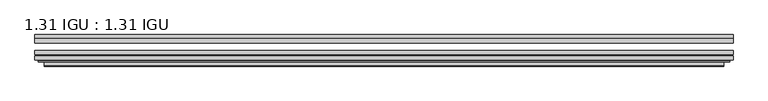
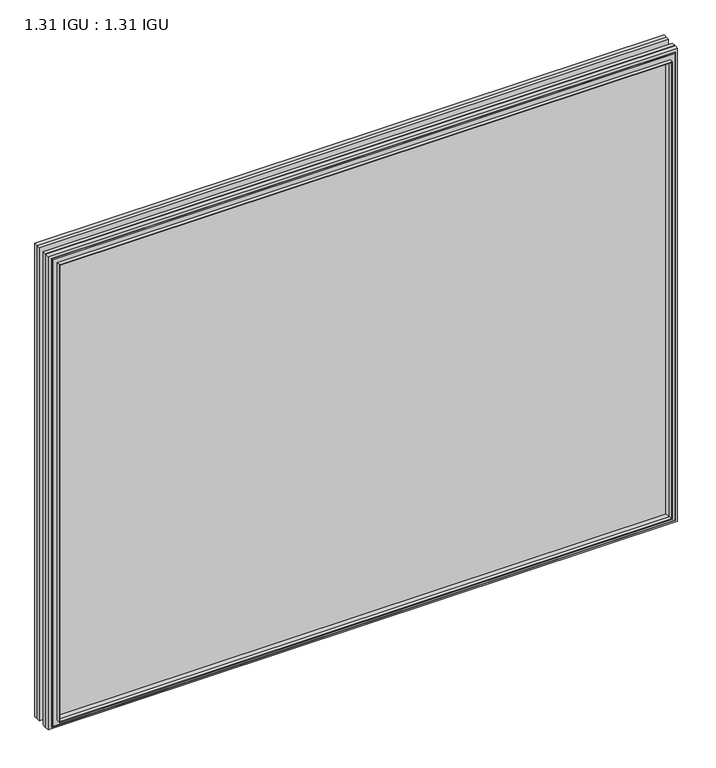
"""IFC4 building model written with IfcOpenShell, lengths in millimetres: plate geometry, 1.31 IGU : 1.31 IGU."""

from ifc_helpers import new_model, si_unit, frame, origin, place, context, project, spatial, polyline, ellipse_curve, outline, extrude, faceted_brep, source, transform, mapped, element, save
from ifc_brep_helpers import plane_surface, cylinder_surface, advanced_brep


def plate_1_31_igu_1_31_igu_c3b25adf(model_context):
    return source(origin(), model_context, "Body", "SolidModel", [
        extrude(outline(polyline([(547.5560218, -66.4725937), (547.5560218, -72.8225938), (-547.5418469, -72.8225938), (-547.5418469, -66.4725937), (547.5560218, -66.4725937)])), frame((0.0, 0.0, -14.2875), z_axis=(0.0, 0.0, 1.0), x_axis=(1.0, 0.0, 0.0)), (0.0, 0.0, 1.0), 869.9537979),
        extrude(outline(polyline([(-547.5418469, -81.4585938), (-547.5418469, -75.1080887), (547.5560218, -75.1080887), (547.5560218, -81.4585938), (-547.5418469, -81.4585938)])), frame((0.0, 0.0, -14.2875), z_axis=(0.0, 0.0, 1.0), x_axis=(1.0, 0.0, 0.0)), (0.0, 0.0, 1.0), 869.9537979),
        extrude(outline(polyline([(547.5560218, -48.1337937), (547.5560218, -54.4837938), (-547.5418469, -54.4837938), (-547.5418469, -48.1337937), (547.5560218, -48.1337937)])), frame((0.0, 0.0, -14.2875), z_axis=(0.0, 0.0, 1.0), x_axis=(1.0, 0.0, 0.0)), (0.0, 0.0, 1.0), 869.9537979),
        faceted_brep([(-533.2490371, -41.7837938, 841.3696902), (-532.3566028, -48.1337937, 840.4772559), (-532.3566028, -48.1337937, 0.8977441), (-533.2490371, -41.7837938, 0.0053098), (-547.5545469, -48.1337937, 855.6752), (-547.5545469, -41.7837938, 855.6752), (-547.5545469, -41.7837938, -14.3002), (-547.5545469, -48.1337937, -14.3002), (532.3566028, -48.1337937, 0.8977441), (533.2490371, -41.7837938, 0.0053098), (547.5545469, -41.7837938, -14.3002), (547.5545469, -48.1337937, -14.3002), (532.3566028, -48.1337937, 840.4772559), (533.2490371, -41.7837938, 841.3696902), (547.5545469, -41.7837938, 855.6752), (547.5545469, -48.1337937, 855.6752)], [[[0, 1, 2, 3]], [[4, 5, 6, 7]], [[3, 2, 8, 9]], [[7, 6, 10, 11]], [[9, 8, 12, 13]], [[11, 10, 14, 15]], [[7, 11, 15, 4], [1, 12, 8, 2]], [[13, 12, 1, 0]], [[5, 14, 10, 6], [3, 9, 13, 0]], [[15, 14, 5, 4]]]),
        advanced_brep(
        [(-541.6529818, -84.6335938, 849.7736349), (-542.6547713, -83.4482604, 850.7754244), (-542.6547713, -83.4482604, -9.4004244), (-541.6529818, -84.6335938, -8.3986349), (-533.2489253, -91.0948368, 841.3695784), (-533.2489253, -84.6335938, 841.3695784), (-533.2489253, -84.6335938, 0.0054216), (-533.2489253, -91.0948368, 0.0054216), (-532.2582685, -90.6958619, 840.3789217), (-532.2582685, -90.6958619, 0.9960783), (-531.2262408, -85.2986307, 839.3468939), (-531.2262408, -85.2986307, 2.0281061), (-526.2914089, -81.4585938, 834.4120621), (-526.2914089, -81.4585938, 6.9629379), (-540.3005659, -81.4585938, 848.421219), (-540.3005659, -81.4585938, -7.046219), (542.6547713, -83.4482604, -9.4004244), (541.6529818, -84.6335938, -8.3986349), (533.2489253, -84.6335938, 0.0054216), (533.2489253, -91.0948368, 0.0054216), (532.2582685, -90.6958619, 0.9960783), (531.2262408, -85.2986307, 2.0281061), (526.2914089, -81.4585938, 6.9629379), (540.3005659, -81.4585938, -7.046219), (542.6547713, -83.4482604, 850.7754244), (541.6529818, -84.6335938, 849.7736349), (533.2489253, -84.6335938, 841.3695784), (533.2489253, -91.0948368, 841.3695784), (532.2582685, -90.6958619, 840.3789217), (531.2262408, -85.2986307, 839.3468939), (526.2914089, -81.4585938, 834.4120621), (540.3005659, -81.4585938, 848.421219)],
        [
            (0, 1, ellipse_curve(frame((-541.6529818, -83.6175938, 849.7736349), z_axis=(-0.7071067811865475, 0.0, -0.7071067811865475), x_axis=(-0.7071067811865474, 0.0, 0.7071067811865476)), 1.436841, 1.016)),
            (1, 2),
            (2, 3, ellipse_curve(frame((-541.6529818, -83.6175938, -8.3986349), z_axis=(-0.7071067811865475, 0.0, 0.7071067811865475), x_axis=(0.7071067811865474, 0.0, 0.7071067811865476)), 1.436841, 1.016)),
            (3, 0),
            (4, 5),
            (5, 6),
            (6, 7),
            (7, 4),
            (8, 4, ellipse_curve(frame((-532.8819687, -90.5766015, 841.0026219), z_axis=(-0.7071067811865475, 0.0, -0.7071067811865475), x_axis=(-0.7071067811865474, 0.0, 0.7071067811865476)), 0.8980256, 0.635)),
            (7, 9, ellipse_curve(frame((-532.8819687, -90.5766015, 0.3723781), z_axis=(-0.7071067811865475, 0.0, 0.7071067811865475), x_axis=(0.7071067811865474, 0.0, 0.7071067811865476)), 0.8980256, 0.635)),
            (9, 8),
            (10, 8),
            (9, 11),
            (11, 10),
            (12, 10),
            (11, 13),
            (13, 12),
            (1, 14, ellipse_curve(frame((-540.3005659, -83.8461938, 848.421219), z_axis=(-0.7071067811865475, 0.0, -0.7071067811865475), x_axis=(-0.7071067811865474, 0.0, 0.7071067811865476)), 3.3765763, 2.3876)),
            (14, 15),
            (15, 2, ellipse_curve(frame((-540.3005659, -83.8461938, -7.046219), z_axis=(-0.7071067811865475, 0.0, 0.7071067811865475), x_axis=(0.7071067811865474, 0.0, 0.7071067811865476)), 3.3765763, 2.3876)),
            (2, 16),
            (16, 17, ellipse_curve(frame((541.6529818, -83.6175938, -8.3986349), z_axis=(-0.7071067811865475, 0.0, -0.7071067811865475), x_axis=(-0.7071067811865476, 0.0, 0.7071067811865474)), 1.436841, 1.016)),
            (17, 3),
            (6, 18),
            (18, 19),
            (19, 7),
            (19, 20, ellipse_curve(frame((532.8819687, -90.5766015, 0.3723781), z_axis=(-0.7071067811865475, 0.0, -0.7071067811865475), x_axis=(-0.7071067811865476, 0.0, 0.7071067811865474)), 0.8980256, 0.635)),
            (20, 9),
            (20, 21),
            (21, 11),
            (21, 22),
            (22, 13),
            (15, 23),
            (23, 16, ellipse_curve(frame((540.3005659, -83.8461938, -7.046219), z_axis=(-0.7071067811865475, 0.0, -0.7071067811865475), x_axis=(-0.7071067811865476, 0.0, 0.7071067811865474)), 3.3765763, 2.3876)),
            (16, 24),
            (24, 25, ellipse_curve(frame((541.6529818, -83.6175938, 849.7736349), z_axis=(0.7071067811865475, 0.0, -0.7071067811865475), x_axis=(-0.7071067811865474, 0.0, -0.7071067811865476)), 1.436841, 1.016)),
            (25, 17),
            (18, 26),
            (26, 27),
            (27, 19),
            (27, 28, ellipse_curve(frame((532.8819687, -90.5766015, 841.0026219), z_axis=(0.7071067811865475, 0.0, -0.7071067811865475), x_axis=(-0.7071067811865474, 0.0, -0.7071067811865476)), 0.8980256, 0.635)),
            (28, 20),
            (28, 29),
            (29, 21),
            (29, 30),
            (30, 22),
            (23, 31),
            (31, 24, ellipse_curve(frame((540.3005659, -83.8461938, 848.421219), z_axis=(0.7071067811865475, 0.0, -0.7071067811865475), x_axis=(-0.7071067811865474, 0.0, -0.7071067811865476)), 3.3765763, 2.3876)),
            (24, 1),
            (0, 25),
            (5, 26),
            (4, 27),
            (8, 28),
            (10, 29),
            (12, 30),
            (14, 31),
        ],
        [
            cylinder_surface(frame((-541.6529818, -83.6175938, 873.125), z_axis=(0.0, 0.0, 1.0), x_axis=(-1.0, 0.0, 0.0)), 1.016),
            plane_surface(frame((-533.2489253, -84.6335938, 841.3695784), z_axis=(-1.0, 0.0, 0.0), x_axis=(0.0, 0.0, -1.0))),
            cylinder_surface(frame((-532.8819687, -90.5766015, 873.125), z_axis=(0.0, 0.0, 1.0), x_axis=(-1.0, 0.0, 0.0)), 0.635),
            plane_surface(frame((-532.2582685, -90.6958619, 840.3789217), z_axis=(0.9822050625507717, -0.1878116479338675, 0.0), x_axis=(0.0, 0.0, -1.0))),
            plane_surface(frame((-531.2262408, -85.2986307, 839.3468939), z_axis=(0.6141233906514726, -0.7892100234124875, 0.0), x_axis=(0.0, 0.0, -1.0))),
            cylinder_surface(frame((-540.3005659, -83.8461938, 873.125), z_axis=(0.0, 0.0, 1.0), x_axis=(-1.0, 0.0, 0.0)), 2.3876),
            cylinder_surface(frame((-565.0043469, -83.6175938, -8.3986349), z_axis=(-1.0, 0.0, 0.0), x_axis=(0.0, 0.0, -1.0)), 1.016),
            plane_surface(frame((-533.2489253, -84.6335938, 0.0054216), z_axis=(0.0, 0.0, -1.0), x_axis=(1.0, 0.0, 0.0))),
            cylinder_surface(frame((-565.0043469, -90.5766015, 0.3723781), z_axis=(-1.0, 0.0, 0.0), x_axis=(0.0, 0.0, -1.0)), 0.635),
            plane_surface(frame((-532.2582685, -90.6958619, 0.9960783), z_axis=(0.0, -0.18781164793386435, 0.9822050625507722), x_axis=(1.0, 0.0, 0.0))),
            plane_surface(frame((-531.2262408, -85.2986307, 2.0281061), z_axis=(0.0, -0.7892100234124855, 0.6141233906514751), x_axis=(1.0, 0.0, 0.0))),
            cylinder_surface(frame((-565.0043469, -83.8461938, -7.046219), z_axis=(-1.0, 0.0, 0.0), x_axis=(0.0, 0.0, -1.0)), 2.3876),
            cylinder_surface(frame((541.6529818, -83.6175938, -31.75), z_axis=(0.0, 0.0, -1.0), x_axis=(1.0, 0.0, 0.0)), 1.016),
            plane_surface(frame((533.2489253, -84.6335938, 0.0054216), z_axis=(1.0, 0.0, 0.0), x_axis=(0.0, 0.0, 1.0))),
            cylinder_surface(frame((532.8819687, -90.5766015, -31.75), z_axis=(0.0, 0.0, -1.0), x_axis=(1.0, 0.0, 0.0)), 0.635),
            plane_surface(frame((532.2582685, -90.6958619, 0.9960783), z_axis=(-0.9822050625507728, -0.18781164793386118, 0.0), x_axis=(0.0, 0.0, 1.0))),
            plane_surface(frame((531.2262408, -85.2986307, 2.0281061), z_axis=(-0.6141233906514777, -0.7892100234124835, 0.0), x_axis=(0.0, 0.0, 1.0))),
            cylinder_surface(frame((540.3005659, -83.8461938, -31.75), z_axis=(0.0, 0.0, -1.0), x_axis=(1.0, 0.0, 0.0)), 2.3876),
            cylinder_surface(frame((565.0043469, -83.6175938, 849.7736349), z_axis=(1.0, 0.0, 0.0), x_axis=(0.0, 0.0, 1.0)), 1.016),
            plane_surface(frame((541.6529818, -84.6335938, 849.7736349), z_axis=(0.0, -1.0, 0.0), x_axis=(-1.0, 0.0, 0.0))),
            plane_surface(frame((533.2489253, -84.6335938, 841.3695784), z_axis=(0.0, 0.0, 1.0), x_axis=(-1.0, 0.0, 0.0))),
            cylinder_surface(frame((565.0043469, -90.5766015, 841.0026219), z_axis=(1.0, 0.0, 0.0), x_axis=(0.0, 0.0, 1.0)), 0.635),
            plane_surface(frame((532.2582685, -90.6958619, 840.3789217), z_axis=(0.0, -0.18781164793386435, -0.9822050625507722), x_axis=(-1.0, 0.0, 0.0))),
            plane_surface(frame((531.2262408, -85.2986307, 839.3468939), z_axis=(0.0, -0.7892100234124855, -0.6141233906514751), x_axis=(-1.0, 0.0, 0.0))),
            plane_surface(frame((526.2914089, -81.4585938, 834.4120621), z_axis=(0.0, 1.0, 0.0), x_axis=(-1.0, 0.0, 0.0))),
            cylinder_surface(frame((565.0043469, -83.8461938, 848.421219), z_axis=(1.0, 0.0, 0.0), x_axis=(0.0, 0.0, 1.0)), 2.3876),
        ],
        [
            (0, [[1, 2, 3, 4]]),
            (1, [[5, 6, 7, 8]]),
            (2, [[9, -8, 10, 11]]),
            (3, [[12, -11, 13, 14]]),
            (4, [[15, -14, 16, 17]]),
            (5, [[18, 19, 20, -2]]),
            (6, [[-3, 21, 22, 23]]),
            (7, [[-7, 24, 25, 26]]),
            (8, [[-10, -26, 27, 28]]),
            (9, [[-13, -28, 29, 30]]),
            (10, [[-16, -30, 31, 32]]),
            (11, [[-20, 33, 34, -21]]),
            (12, [[-22, 35, 36, 37]]),
            (13, [[-25, 38, 39, 40]]),
            (14, [[-27, -40, 41, 42]]),
            (15, [[-29, -42, 43, 44]]),
            (16, [[-31, -44, 45, 46]]),
            (17, [[-34, 47, 48, -35]]),
            (18, [[-36, 49, -1, 50]]),
            (19, [[-23, -37, -50, -4], [51, -38, -24, -6]]),
            (20, [[-39, -51, -5, 52]]),
            (21, [[-41, -52, -9, 53]]),
            (22, [[-43, -53, -12, 54]]),
            (23, [[-45, -54, -15, 55]]),
            (24, [[56, -47, -33, -19], [-32, -46, -55, -17]]),
            (25, [[-48, -56, -18, -49]]),
        ],
    ),
    ])


if __name__ == "__main__":
    model = new_model("IFC4")
    model_context = context("Model", 3, world=origin())
    ifc_project = project(units=[si_unit("LENGTHUNIT", "METRE", prefix="MILLI")], contexts=[model_context])
    site = spatial("IfcSite", under=ifc_project)
    building = spatial("IfcBuilding", under=site)
    placement = place(None, origin())
    plate_1_31_igu_1_31_igu_shape = plate_1_31_igu_1_31_igu_c3b25adf(model_context)
    element("IfcPlate", 1, ObjectType="1.31 IGU : 1.31 IGU", at=placement, inside=building, context=model_context, shape_type="MappedRepresentation", body=[
        mapped(plate_1_31_igu_1_31_igu_shape, transform((0.0, 0.0, 0.0), x_axis=(1.0, 0.0, 0.0), y_axis=(0.0, 1.0, 0.0), z_axis=(0.0, 0.0, 1.0))),
    ])
    save(model, "model.ifc")
